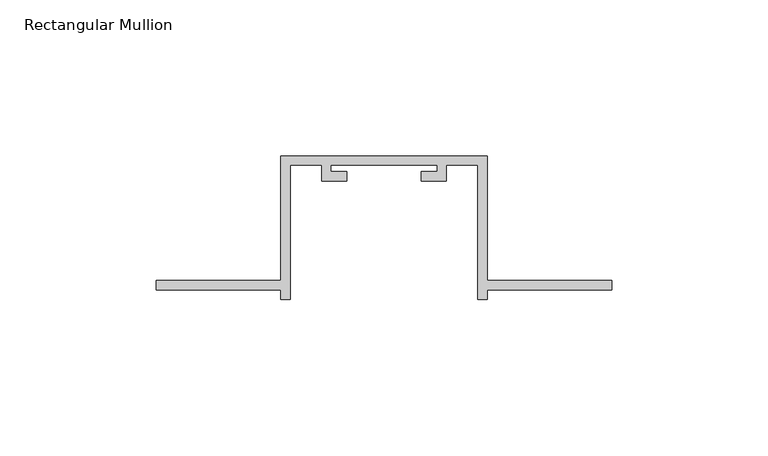
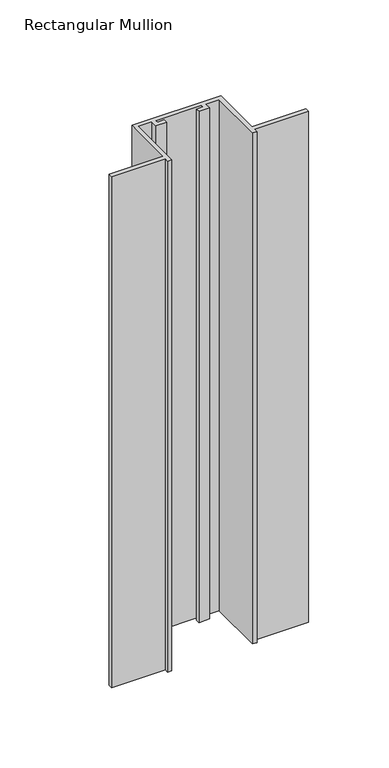
"""IFC4 building model written with IfcOpenShell, lengths in millimetres: member geometry, Rectangular Mullion."""

import ifcopenshell
import ifcopenshell.guid

model = None  # the IFC model being written
_history = None  # IfcOwnerHistory: only IFC2X3 demands one
_inside = {}  # id of a spatial element -> (the spatial element, [elements in it])
_under = {}  # id of a project, library or spatial element -> (it, [spatial elements below it])
_declared = {}  # id of a project -> (the project, [libraries it declares])
_typed = {}  # id of a type object -> (the type object, [elements of that type])
_made_of = {}  # id of a material, layer set ... -> (it, [elements and type objects made of it])


def new_model(schema):
    """Start an empty IFC model of exactly this schema.

    Asked for "IFC4X3", IfcOpenShell would pick the latest addendum, in which some entities
    have other attributes; the version numbers below select the first issue.
    IFC2X3 requires an IfcOwnerHistory on every rooted entity: one is made here for all.
    """
    global model, _history
    if schema == "IFC4X3":
        model = ifcopenshell.file(schema_version=(4, 3, 0, 0))
    else:
        model = ifcopenshell.file(schema=schema)
    _inside.clear()
    _under.clear()
    _declared.clear()
    _typed.clear()
    _made_of.clear()
    _history = None
    if model.schema == "IFC2X3":
        org = make("IfcOrganization", Name="unknown")
        user = make(
            "IfcPersonAndOrganization",
            ThePerson=make("IfcPerson", FamilyName="unknown"),
            TheOrganization=org,
        )
        app = make(
            "IfcApplication",
            ApplicationDeveloper=org,
            Version="unknown",
            ApplicationFullName="unknown",
            ApplicationIdentifier="unknown",
        )
        _history = make(
            "IfcOwnerHistory",
            OwningUser=user,
            OwningApplication=app,
            ChangeAction="ADDED",
            CreationDate=0,
        )
    return model


def make(cls, **values):
    """One entity of the class cls with the attributes given. An attribute that is None is left unset."""
    return model.create_entity(
        cls, **{name: value for name, value in values.items() if value is not None}
    )


def rooted(cls, **values):
    """An entity with a GlobalId (a new one), such as an element, a storey or a relation."""
    return make(cls, GlobalId=ifcopenshell.guid.new(), OwnerHistory=_history, **values)


def si_unit(unit_type, name, prefix=None):
    """IfcSIUnit, for example si_unit("LENGTHUNIT", "METRE", prefix="MILLI")."""
    return make("IfcSIUnit", UnitType=unit_type, Prefix=prefix, Name=name)


def assignment(units):
    """IfcUnitAssignment: the units of a project."""
    return None if units is None else make("IfcUnitAssignment", Units=units)


def point(xyz):
    """IfcCartesianPoint."""
    return None if xyz is None else make("IfcCartesianPoint", Coordinates=xyz)


def direction(xyz):
    """IfcDirection."""
    return None if xyz is None else make("IfcDirection", DirectionRatios=xyz)


def frame(location, z_axis=None, x_axis=None):
    """IfcAxis2Placement3D, a coordinate frame: its origin and axes. An axis left out is left unset."""
    return make(
        "IfcAxis2Placement3D",
        Location=point(location),
        Axis=direction(z_axis),
        RefDirection=direction(x_axis),
    )


def origin():
    """The frame at (0, 0, 0) with its axes left unset."""
    return frame((0.0, 0.0, 0.0))


def place(relative_to, where):
    """IfcLocalPlacement: puts the frame where relative to a parent placement (None: the world)."""
    return make(
        "IfcLocalPlacement", PlacementRelTo=relative_to, RelativePlacement=where
    )


def context(
    kind, dimensions, precision=None, world=None, true_north=None, identifier=None
):
    """IfcGeometricRepresentationContext, for example the 3D "Model" context."""
    return make(
        "IfcGeometricRepresentationContext",
        ContextIdentifier=identifier,
        ContextType=kind,
        CoordinateSpaceDimension=dimensions,
        Precision=precision,
        WorldCoordinateSystem=world,
        TrueNorth=true_north,
    )


def project(units=None, contexts=None):
    """IfcProject with its units and contexts."""
    return rooted(
        "IfcProject",
        Name="project",
        RepresentationContexts=contexts,
        UnitsInContext=assignment(units),
    )


def spatial(cls, under=None, at=None, **own):
    """A site, building, storey or space (cls), placed at a placement, below another one or the project."""
    s = rooted(cls, ObjectPlacement=at, **own)
    if under is not None:
        _under.setdefault(under.id(), (under, []))[1].append(s)
    return s


def polyline(points):
    """IfcPolyline through the points."""
    return make("IfcPolyline", Points=[point(p) for p in points])


def outline(outer, holes=None, kind="AREA"):
    """IfcArbitraryClosedProfileDef: a profile drawn as a closed curve; with holes, ...WithVoids."""
    if holes is None:
        return make("IfcArbitraryClosedProfileDef", ProfileType=kind, OuterCurve=outer)
    return make(
        "IfcArbitraryProfileDefWithVoids",
        ProfileType=kind,
        OuterCurve=outer,
        InnerCurves=holes,
    )


def extrude(swept, where, along, depth):
    """IfcExtrudedAreaSolid: the profile swept, set in the frame where, extruded along a direction by depth."""
    return make(
        "IfcExtrudedAreaSolid",
        SweptArea=swept,
        Position=where,
        ExtrudedDirection=direction(along),
        Depth=depth,
    )


def shape(context_of_items, identifier, shape_type, items):
    """IfcShapeRepresentation: the items that make up one representation, for example the "Body"."""
    return make(
        "IfcShapeRepresentation",
        ContextOfItems=context_of_items,
        RepresentationIdentifier=identifier,
        RepresentationType=shape_type,
        Items=items,
    )


def source(mapping_origin, context_of_items, identifier, shape_type, items):
    """IfcRepresentationMap: a shape defined once, which mapped items show again and again."""
    return make(
        "IfcRepresentationMap",
        MappingOrigin=mapping_origin,
        MappedRepresentation=shape(context_of_items, identifier, shape_type, items),
    )


def transform(
    local_origin,
    x_axis=None,
    y_axis=None,
    z_axis=None,
    scale=None,
    scale2=None,
    scale3=None,
    uniform=True,
):
    """IfcCartesianTransformationOperator3D, or its non-uniform kind. x_axis, y_axis, z_axis: its Axis1, 2, 3."""
    if uniform:
        return make(
            "IfcCartesianTransformationOperator3D",
            Axis1=direction(x_axis),
            Axis2=direction(y_axis),
            LocalOrigin=point(local_origin),
            Scale=scale,
            Axis3=direction(z_axis),
        )
    return make(
        "IfcCartesianTransformationOperator3DnonUniform",
        Axis1=direction(x_axis),
        Axis2=direction(y_axis),
        LocalOrigin=point(local_origin),
        Scale=scale,
        Axis3=direction(z_axis),
        Scale2=scale2,
        Scale3=scale3,
    )


def mapped(mapping_source, mapping_target):
    """IfcMappedItem: shows the shape of a source again, moved by a transform."""
    return make(
        "IfcMappedItem", MappingSource=mapping_source, MappingTarget=mapping_target
    )


def made_of(thing, what):
    """Note that an element or type object is made of a material, layer set ...; save() writes the relation."""
    if what is not None:
        _made_of.setdefault(what.id(), (what, []))[1].append(thing)
    return thing


def element(
    cls,
    number,
    at=None,
    inside=None,
    cuts=None,
    type_object=None,
    material=None,
    context=None,
    identifier="Body",
    shape_type=None,
    held_by="IfcProductDefinitionShape",
    body=None,
    shapes=None,
    **own,
):
    """One element of the class cls, such as IfcWall. Its Tag is "e" and its number.

    at: its placement. inside: the storey or other place that contains it. cuts: it is an
    opening in that element (IfcRelVoidsElement). A single representation is given by context,
    identifier, shape_type and body (its items); several are given by shapes. held_by: the class
    of the entity that holds the representations. save() writes the other relations.
    """
    e = rooted(cls, Tag="e%d" % number, ObjectPlacement=at, **own)
    if body is not None:
        shapes = [shape(context, identifier, shape_type, body)]
    if shapes is not None:
        e.Representation = make(held_by, Representations=shapes)
    if inside is not None:
        _inside.setdefault(inside.id(), (inside, []))[1].append(e)
    if cuts is not None:
        rooted(
            "IfcRelVoidsElement", RelatingBuildingElement=cuts, RelatedOpeningElement=e
        )
    if type_object is not None:
        _typed.setdefault(type_object.id(), (type_object, []))[1].append(e)
    return made_of(e, material)


def aggregate(whole, parts):
    """IfcRelAggregates: a whole, such as a stair, and the parts it consists of."""
    return rooted("IfcRelAggregates", RelatingObject=whole, RelatedObjects=parts)


def save(model, path):
    """Write the relations noted so far, then the file.

    IfcRelAggregates (storeys below a building ...), IfcRelContainedInSpatialStructure (elements
    in a storey), IfcRelDefinesByType, IfcRelAssociatesMaterial and IfcRelDeclares: one each for
    every whole, place, type object, material and project.
    """
    for whole, parts in _under.values():
        aggregate(whole, parts)
    for where, things in _inside.values():
        rooted(
            "IfcRelContainedInSpatialStructure",
            RelatedElements=things,
            RelatingStructure=where,
        )
    for kind, things in _typed.values():
        rooted("IfcRelDefinesByType", RelatedObjects=things, RelatingType=kind)
    for what, things in _made_of.values():
        rooted("IfcRelAssociatesMaterial", RelatedObjects=things, RelatingMaterial=what)
    for by, libraries in _declared.values():
        rooted("IfcRelDeclares", RelatingContext=by, RelatedDefinitions=libraries)
    model.write(path)


def rectangular_mullion_7f3ee5c6(model_context):
    return source(origin(), model_context, "Body", "SweptSolid", [
        extrude(outline(polyline([(-106.0, -132.0), (-146.0, -132.0), (-146.0, -129.0), (-106.0, -129.0), (-106.0, -89.0), (-40.0, -89.0), (-40.0, -129.0), (0.0, -129.0), (0.0, -132.0), (-40.0, -132.0), (-40.0, -135.0), (-43.0, -135.0), (-43.0, -92.0), (-53.0, -92.0), (-53.0, -97.0), (-61.0, -97.0), (-61.0, -94.0), (-56.0, -94.0), (-56.0, -92.0), (-90.0, -92.0), (-90.0, -94.0), (-85.0, -94.0), (-85.0, -97.0), (-93.0, -97.0), (-93.0, -92.0), (-103.0, -92.0), (-103.0, -135.0), (-106.0, -135.0), (-106.0, -132.0)])), frame((0.0, 0.0, -400.0), z_axis=(0.0, 0.0, 1.0), x_axis=(1.0, 0.0, 0.0)), (0.0, 0.0, 1.0), 400.0),
    ])


if __name__ == "__main__":
    model = new_model("IFC4")
    model_context = context("Model", 3, world=origin())
    ifc_project = project(units=[si_unit("LENGTHUNIT", "METRE", prefix="MILLI")], contexts=[model_context])
    site = spatial("IfcSite", under=ifc_project)
    building = spatial("IfcBuilding", under=site)
    placement = place(None, origin())
    rectangular_mullion_shape = rectangular_mullion_7f3ee5c6(model_context)
    element("IfcMember", 1, ObjectType="Rectangular Mullion", at=placement, inside=building, context=model_context, shape_type="MappedRepresentation", body=[
        mapped(rectangular_mullion_shape, transform((0.0, 0.0, 0.0), x_axis=(1.0, 0.0, 0.0), y_axis=(0.0, 1.0, 0.0), z_axis=(0.0, 0.0, 1.0))),
    ])
    save(model, "model.ifc")
